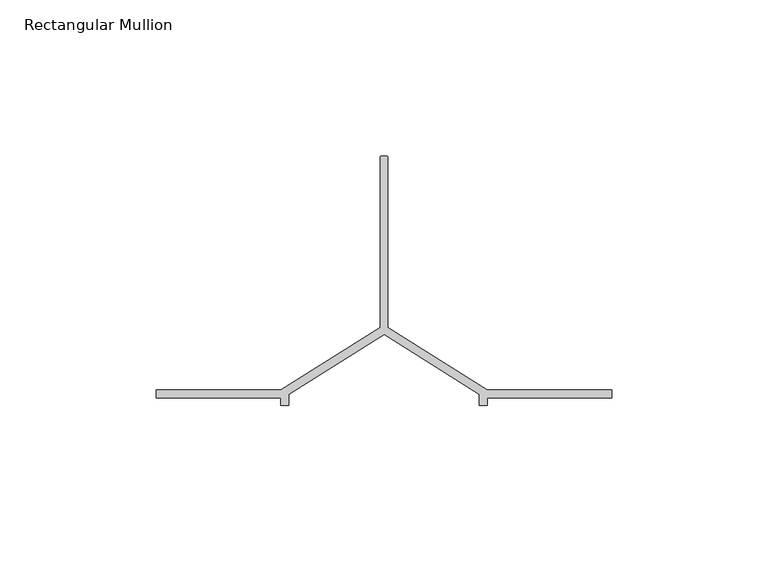
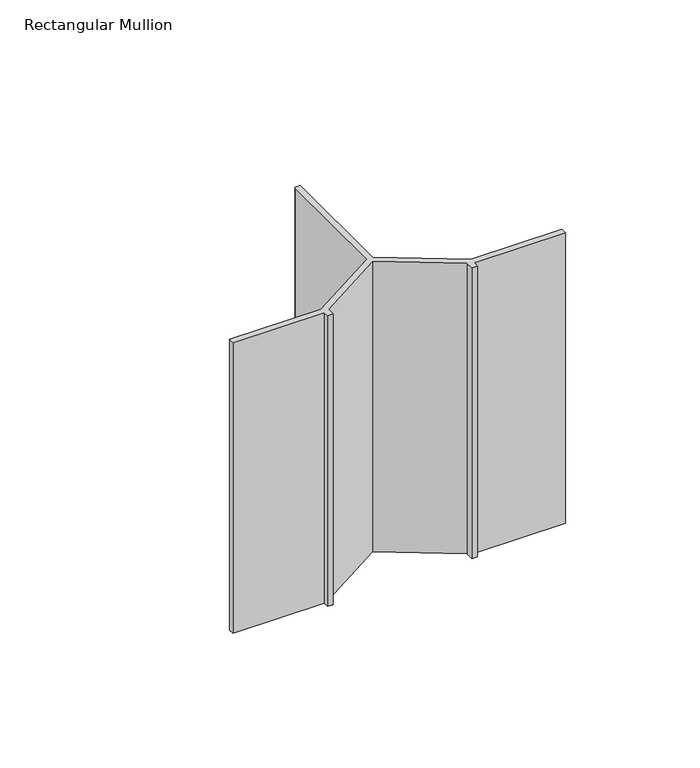
"""IFC4 building model written with IfcOpenShell, lengths in millimetres: member geometry, Rectangular Mullion."""

from ifc_helpers import new_model, si_unit, point, frame, frame_2d, origin, place, context, project, spatial, polyline, circle_curve, trimmed, segment, composite_curve, outline, extrude, source, transform, mapped, element, save


def rectangular_mullion_8031a8d6(model_context):
    return source(origin(), model_context, "Body", "SweptSolid", [
        extrude(outline(composite_curve([segment(trimmed(circle_curve(frame_2d((-72.25, -69.0)), 0.5), [point((-72.25, -68.5))], [point((-71.75, -69.0))], False, "CARTESIAN"), True, "CONTINUOUS"), segment(polyline([(-71.75, -69.0), (-71.75, -123.5), (-40.0, -143.5), (0.0, -143.5), (0.0, -146.0), (-40.0, -146.0), (-40.0, -148.5), (-42.5, -148.5), (-42.5, -144.879855), (-73.0, -125.6672566), (-103.5, -144.879855), (-103.5, -148.5), (-106.0, -148.5), (-106.0, -146.0), (-146.0, -146.0), (-146.0, -143.5), (-106.0, -143.5), (-74.25, -123.5), (-74.25, -69.0)]), True, "CONTINUOUS"), segment(trimmed(circle_curve(frame_2d((-73.75, -69.0)), 0.5), [point((-74.25, -69.0))], [point((-73.75, -68.5))], False, "CARTESIAN"), True, "CONTINUOUS"), segment(polyline([(-73.75, -68.5), (-72.25, -68.5)]), True, "CONTINUOUS")], self_intersect=False)), frame((0.0, 0.0, -135.0), z_axis=(0.0, 0.0, 1.0), x_axis=(1.0, 0.0, 0.0)), (0.0, 0.0, 1.0), 135.0),
    ])


if __name__ == "__main__":
    model = new_model("IFC4")
    model_context = context("Model", 3, world=origin())
    ifc_project = project(units=[si_unit("LENGTHUNIT", "METRE", prefix="MILLI")], contexts=[model_context])
    site = spatial("IfcSite", under=ifc_project)
    building = spatial("IfcBuilding", under=site)
    placement = place(None, origin())
    rectangular_mullion_shape = rectangular_mullion_8031a8d6(model_context)
    element("IfcMember", 1, ObjectType="Rectangular Mullion", at=placement, inside=building, context=model_context, shape_type="MappedRepresentation", body=[
        mapped(rectangular_mullion_shape, transform((0.0, 0.0, 0.0), x_axis=(1.0, 0.0, 0.0), y_axis=(0.0, 1.0, 0.0), z_axis=(0.0, 0.0, 1.0))),
    ])
    save(model, "model.ifc")
